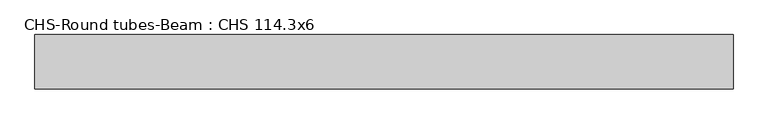
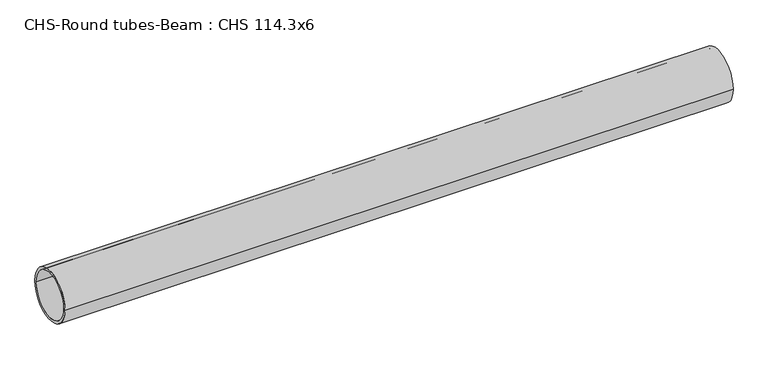
"""IFC4 building model written with IfcOpenShell, lengths in millimetres: beam geometry, CHS-Round tubes-Beam : CHS 114.3x6."""

import ifcopenshell
import ifcopenshell.guid

model = None  # the IFC model being written
_history = None  # IfcOwnerHistory: only IFC2X3 demands one
_inside = {}  # id of a spatial element -> (the spatial element, [elements in it])
_under = {}  # id of a project, library or spatial element -> (it, [spatial elements below it])
_declared = {}  # id of a project -> (the project, [libraries it declares])
_typed = {}  # id of a type object -> (the type object, [elements of that type])
_made_of = {}  # id of a material, layer set ... -> (it, [elements and type objects made of it])


def new_model(schema):
    """Start an empty IFC model of exactly this schema.

    Asked for "IFC4X3", IfcOpenShell would pick the latest addendum, in which some entities
    have other attributes; the version numbers below select the first issue.
    IFC2X3 requires an IfcOwnerHistory on every rooted entity: one is made here for all.
    """
    global model, _history
    if schema == "IFC4X3":
        model = ifcopenshell.file(schema_version=(4, 3, 0, 0))
    else:
        model = ifcopenshell.file(schema=schema)
    _inside.clear()
    _under.clear()
    _declared.clear()
    _typed.clear()
    _made_of.clear()
    _history = None
    if model.schema == "IFC2X3":
        org = make("IfcOrganization", Name="unknown")
        user = make(
            "IfcPersonAndOrganization",
            ThePerson=make("IfcPerson", FamilyName="unknown"),
            TheOrganization=org,
        )
        app = make(
            "IfcApplication",
            ApplicationDeveloper=org,
            Version="unknown",
            ApplicationFullName="unknown",
            ApplicationIdentifier="unknown",
        )
        _history = make(
            "IfcOwnerHistory",
            OwningUser=user,
            OwningApplication=app,
            ChangeAction="ADDED",
            CreationDate=0,
        )
    return model


def make(cls, **values):
    """One entity of the class cls with the attributes given. An attribute that is None is left unset."""
    return model.create_entity(
        cls, **{name: value for name, value in values.items() if value is not None}
    )


def rooted(cls, **values):
    """An entity with a GlobalId (a new one), such as an element, a storey or a relation."""
    return make(cls, GlobalId=ifcopenshell.guid.new(), OwnerHistory=_history, **values)


def si_unit(unit_type, name, prefix=None):
    """IfcSIUnit, for example si_unit("LENGTHUNIT", "METRE", prefix="MILLI")."""
    return make("IfcSIUnit", UnitType=unit_type, Prefix=prefix, Name=name)


def assignment(units):
    """IfcUnitAssignment: the units of a project."""
    return None if units is None else make("IfcUnitAssignment", Units=units)


def point(xyz):
    """IfcCartesianPoint."""
    return None if xyz is None else make("IfcCartesianPoint", Coordinates=xyz)


def direction(xyz):
    """IfcDirection."""
    return None if xyz is None else make("IfcDirection", DirectionRatios=xyz)


def frame(location, z_axis=None, x_axis=None):
    """IfcAxis2Placement3D, a coordinate frame: its origin and axes. An axis left out is left unset."""
    return make(
        "IfcAxis2Placement3D",
        Location=point(location),
        Axis=direction(z_axis),
        RefDirection=direction(x_axis),
    )


def frame_2d(location, x_axis=None):
    """IfcAxis2Placement2D, a coordinate frame in the plane: its origin and x axis."""
    return make(
        "IfcAxis2Placement2D", Location=point(location), RefDirection=direction(x_axis)
    )


def origin():
    """The frame at (0, 0, 0) with its axes left unset."""
    return frame((0.0, 0.0, 0.0))


def origin_2d():
    """The frame at (0, 0) in the plane with its x axis left unset."""
    return frame_2d((0.0, 0.0))


def place(relative_to, where):
    """IfcLocalPlacement: puts the frame where relative to a parent placement (None: the world)."""
    return make(
        "IfcLocalPlacement", PlacementRelTo=relative_to, RelativePlacement=where
    )


def context(
    kind, dimensions, precision=None, world=None, true_north=None, identifier=None
):
    """IfcGeometricRepresentationContext, for example the 3D "Model" context."""
    return make(
        "IfcGeometricRepresentationContext",
        ContextIdentifier=identifier,
        ContextType=kind,
        CoordinateSpaceDimension=dimensions,
        Precision=precision,
        WorldCoordinateSystem=world,
        TrueNorth=true_north,
    )


def project(units=None, contexts=None):
    """IfcProject with its units and contexts."""
    return rooted(
        "IfcProject",
        Name="project",
        RepresentationContexts=contexts,
        UnitsInContext=assignment(units),
    )


def spatial(cls, under=None, at=None, **own):
    """A site, building, storey or space (cls), placed at a placement, below another one or the project."""
    s = rooted(cls, ObjectPlacement=at, **own)
    if under is not None:
        _under.setdefault(under.id(), (under, []))[1].append(s)
    return s


def circle_curve(where, radius):
    """IfcCircle in the frame where."""
    return make("IfcCircle", Position=where, Radius=radius)


def trimmed(basis, trim1, trim2, sense, master):
    """IfcTrimmedCurve: the piece of a basis curve between two trims."""
    return make(
        "IfcTrimmedCurve",
        BasisCurve=basis,
        Trim1=trim1,
        Trim2=trim2,
        SenseAgreement=sense,
        MasterRepresentation=master,
    )


def segment(curve, same_sense, transition):
    """IfcCompositeCurveSegment."""
    return make(
        "IfcCompositeCurveSegment",
        Transition=transition,
        SameSense=same_sense,
        ParentCurve=curve,
    )


def composite_curve(segments, self_intersect=None):
    """IfcCompositeCurve: segments joined end to end."""
    return make("IfcCompositeCurve", Segments=segments, SelfIntersect=self_intersect)


def outline(outer, holes=None, kind="AREA"):
    """IfcArbitraryClosedProfileDef: a profile drawn as a closed curve; with holes, ...WithVoids."""
    if holes is None:
        return make("IfcArbitraryClosedProfileDef", ProfileType=kind, OuterCurve=outer)
    return make(
        "IfcArbitraryProfileDefWithVoids",
        ProfileType=kind,
        OuterCurve=outer,
        InnerCurves=holes,
    )


def extrude(swept, where, along, depth):
    """IfcExtrudedAreaSolid: the profile swept, set in the frame where, extruded along a direction by depth."""
    return make(
        "IfcExtrudedAreaSolid",
        SweptArea=swept,
        Position=where,
        ExtrudedDirection=direction(along),
        Depth=depth,
    )


def shape(context_of_items, identifier, shape_type, items):
    """IfcShapeRepresentation: the items that make up one representation, for example the "Body"."""
    return make(
        "IfcShapeRepresentation",
        ContextOfItems=context_of_items,
        RepresentationIdentifier=identifier,
        RepresentationType=shape_type,
        Items=items,
    )


def source(mapping_origin, context_of_items, identifier, shape_type, items):
    """IfcRepresentationMap: a shape defined once, which mapped items show again and again."""
    return make(
        "IfcRepresentationMap",
        MappingOrigin=mapping_origin,
        MappedRepresentation=shape(context_of_items, identifier, shape_type, items),
    )


def transform(
    local_origin,
    x_axis=None,
    y_axis=None,
    z_axis=None,
    scale=None,
    scale2=None,
    scale3=None,
    uniform=True,
):
    """IfcCartesianTransformationOperator3D, or its non-uniform kind. x_axis, y_axis, z_axis: its Axis1, 2, 3."""
    if uniform:
        return make(
            "IfcCartesianTransformationOperator3D",
            Axis1=direction(x_axis),
            Axis2=direction(y_axis),
            LocalOrigin=point(local_origin),
            Scale=scale,
            Axis3=direction(z_axis),
        )
    return make(
        "IfcCartesianTransformationOperator3DnonUniform",
        Axis1=direction(x_axis),
        Axis2=direction(y_axis),
        LocalOrigin=point(local_origin),
        Scale=scale,
        Axis3=direction(z_axis),
        Scale2=scale2,
        Scale3=scale3,
    )


def mapped(mapping_source, mapping_target):
    """IfcMappedItem: shows the shape of a source again, moved by a transform."""
    return make(
        "IfcMappedItem", MappingSource=mapping_source, MappingTarget=mapping_target
    )


def made_of(thing, what):
    """Note that an element or type object is made of a material, layer set ...; save() writes the relation."""
    if what is not None:
        _made_of.setdefault(what.id(), (what, []))[1].append(thing)
    return thing


def element(
    cls,
    number,
    at=None,
    inside=None,
    cuts=None,
    type_object=None,
    material=None,
    context=None,
    identifier="Body",
    shape_type=None,
    held_by="IfcProductDefinitionShape",
    body=None,
    shapes=None,
    **own,
):
    """One element of the class cls, such as IfcWall. Its Tag is "e" and its number.

    at: its placement. inside: the storey or other place that contains it. cuts: it is an
    opening in that element (IfcRelVoidsElement). A single representation is given by context,
    identifier, shape_type and body (its items); several are given by shapes. held_by: the class
    of the entity that holds the representations. save() writes the other relations.
    """
    e = rooted(cls, Tag="e%d" % number, ObjectPlacement=at, **own)
    if body is not None:
        shapes = [shape(context, identifier, shape_type, body)]
    if shapes is not None:
        e.Representation = make(held_by, Representations=shapes)
    if inside is not None:
        _inside.setdefault(inside.id(), (inside, []))[1].append(e)
    if cuts is not None:
        rooted(
            "IfcRelVoidsElement", RelatingBuildingElement=cuts, RelatedOpeningElement=e
        )
    if type_object is not None:
        _typed.setdefault(type_object.id(), (type_object, []))[1].append(e)
    return made_of(e, material)


def aggregate(whole, parts):
    """IfcRelAggregates: a whole, such as a stair, and the parts it consists of."""
    return rooted("IfcRelAggregates", RelatingObject=whole, RelatedObjects=parts)


def save(model, path):
    """Write the relations noted so far, then the file.

    IfcRelAggregates (storeys below a building ...), IfcRelContainedInSpatialStructure (elements
    in a storey), IfcRelDefinesByType, IfcRelAssociatesMaterial and IfcRelDeclares: one each for
    every whole, place, type object, material and project.
    """
    for whole, parts in _under.values():
        aggregate(whole, parts)
    for where, things in _inside.values():
        rooted(
            "IfcRelContainedInSpatialStructure",
            RelatedElements=things,
            RelatingStructure=where,
        )
    for kind, things in _typed.values():
        rooted("IfcRelDefinesByType", RelatedObjects=things, RelatingType=kind)
    for what, things in _made_of.values():
        rooted("IfcRelAssociatesMaterial", RelatedObjects=things, RelatingMaterial=what)
    for by, libraries in _declared.values():
        rooted("IfcRelDeclares", RelatingContext=by, RelatedDefinitions=libraries)
    model.write(path)


def chs_round_tubes_beam_chs_114_3x6_d0c361c6(model_context):
    return source(origin(), model_context, "Body", "SweptSolid", [
        extrude(outline(composite_curve([segment(trimmed(circle_curve(origin_2d(), 57.15), [point((57.15, 0.0))], [point((-57.15, 0.0))], False, "CARTESIAN"), True, "CONTINUOUS"), segment(trimmed(circle_curve(origin_2d(), 57.15), [point((-57.15, 0.0))], [point((57.15, 0.0))], False, "CARTESIAN"), True, "CONTINUOUS")], self_intersect=False), holes=[composite_curve([segment(trimmed(circle_curve(origin_2d(), 51.15), [point((51.15, 0.0))], [point((-51.15, 0.0))], True, "CARTESIAN"), True, "CONTINUOUS"), segment(trimmed(circle_curve(origin_2d(), 51.15), [point((-51.15, 0.0))], [point((51.15, 0.0))], True, "CARTESIAN"), True, "CONTINUOUS")], self_intersect=False)]), frame((-756.2795695, 0.0, 0.0), z_axis=(1.0, 0.0, 0.0), x_axis=(0.0, 1.0, 0.0)), (0.0, 0.0, 1.0), 1466.5370146),
    ])


if __name__ == "__main__":
    model = new_model("IFC4")
    model_context = context("Model", 3, world=origin())
    ifc_project = project(units=[si_unit("LENGTHUNIT", "METRE", prefix="MILLI")], contexts=[model_context])
    site = spatial("IfcSite", under=ifc_project)
    building = spatial("IfcBuilding", under=site)
    placement = place(None, origin())
    chs_round_tubes_beam_chs_114_3x6_shape = chs_round_tubes_beam_chs_114_3x6_d0c361c6(model_context)
    element("IfcBeam", 1, ObjectType="CHS-Round tubes-Beam : CHS 114.3x6", at=placement, inside=building, context=model_context, shape_type="MappedRepresentation", body=[
        mapped(chs_round_tubes_beam_chs_114_3x6_shape, transform((0.0, 0.0, 0.0), x_axis=(1.0, 0.0, 0.0), y_axis=(0.0, 1.0, 0.0), z_axis=(0.0, 0.0, 1.0))),
    ])
    save(model, "model.ifc")
